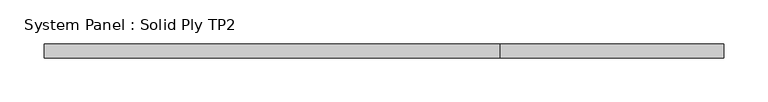
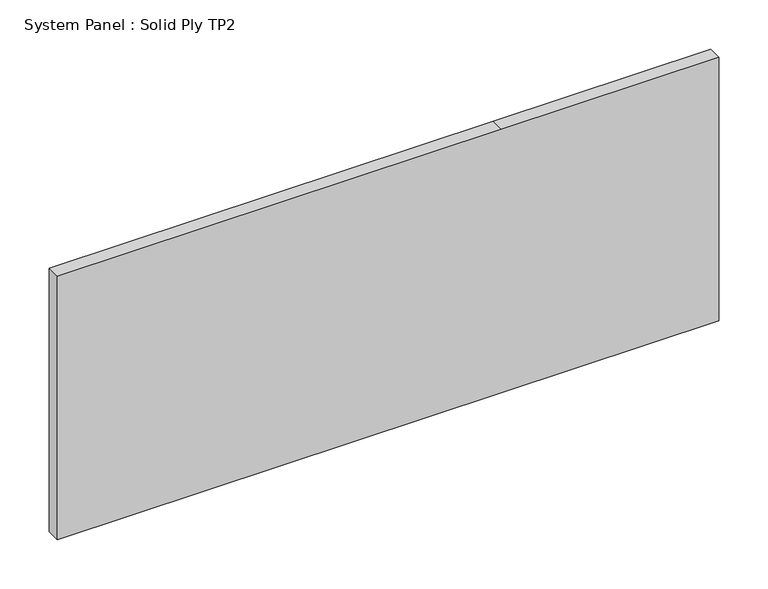
"""IFC4 building model written with IfcOpenShell, lengths in millimetres: plate geometry, System Panel : Solid Ply TP2."""

from ifc_helpers import new_model, si_unit, frame, origin, place, context, project, spatial, polyline, outline, extrude, source, transform, mapped, element, save


def system_panel_solid_ply_tp2_6b5eecf6(model_context):
    return source(origin(), model_context, "Body", "SweptSolid", [
        extrude(outline(polyline([(0.0, -386.0000002), (0.0, 132.000001), (0.0, 386.0000002), (325.0, 386.0000002), (325.0, 132.000001), (325.0, -386.0000002), (0.0, -386.0000002)])), frame((0.0, -23.0, 0.0), z_axis=(0.0, 1.0, 0.0), x_axis=(0.0, 0.0, 1.0)), (0.0, 0.0, 1.0), 16.0),
    ])


if __name__ == "__main__":
    model = new_model("IFC4")
    model_context = context("Model", 3, world=origin())
    ifc_project = project(units=[si_unit("LENGTHUNIT", "METRE", prefix="MILLI")], contexts=[model_context])
    site = spatial("IfcSite", under=ifc_project)
    building = spatial("IfcBuilding", under=site)
    placement = place(None, origin())
    system_panel_solid_ply_tp2_shape = system_panel_solid_ply_tp2_6b5eecf6(model_context)
    element("IfcPlate", 1, ObjectType="System Panel : Solid Ply TP2", at=placement, inside=building, context=model_context, shape_type="MappedRepresentation", body=[
        mapped(system_panel_solid_ply_tp2_shape, transform((0.0, 0.0, 0.0), x_axis=(1.0, 0.0, 0.0), y_axis=(0.0, 1.0, 0.0), z_axis=(0.0, 0.0, 1.0))),
    ])
    save(model, "model.ifc")
